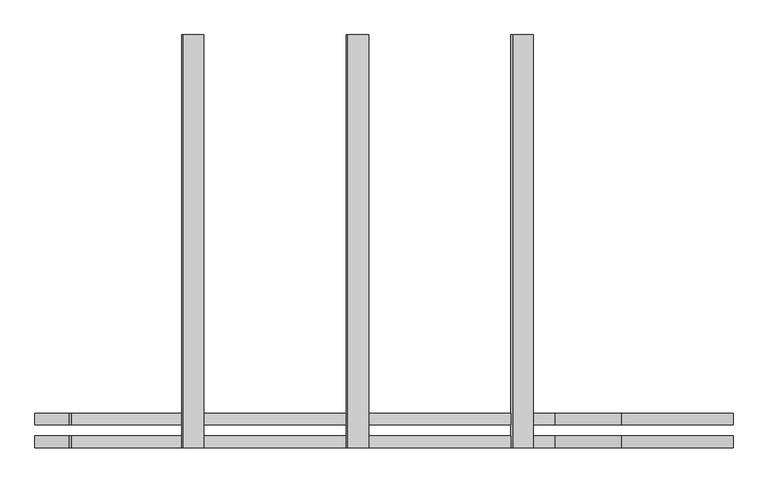
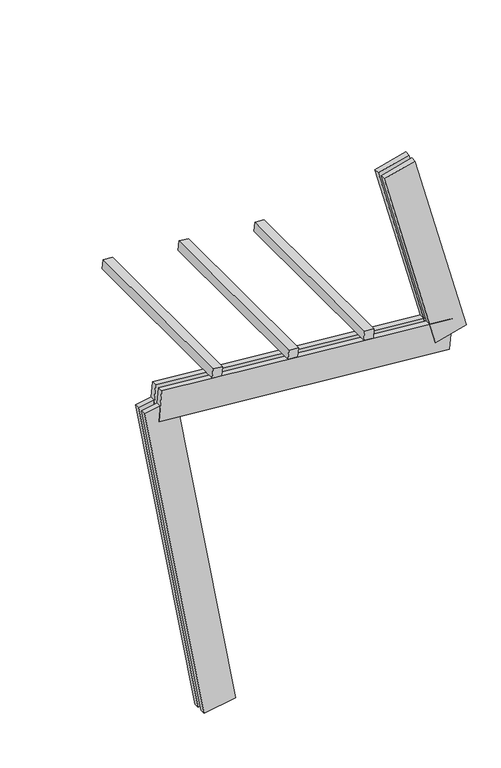
"""IFC4 building model written with IfcOpenShell, lengths in millimetres: proxy geometry."""

from ifc_helpers import new_model, si_unit, frame, origin, place, context, project, spatial, polyline, outline, extrude, source, transform, mapped, element, save


def generic_models_18e37711(model_context):
    return source(origin(), model_context, "Body", "SweptSolid", [
        extrude(outline(polyline([(1500.0, 0.0), (0.0, 0.0), (0.0, 74.9999999), (1500.0, 74.9999999), (1500.0, 0.0)])), frame((15.2368697, -62.5, 2742.1062926), z_axis=(0.0871557427476582, 0.0, 0.9961946980917457), x_axis=(0.0, 1.0, 0.0)), (0.0, 0.0, 1.0), 75.0),
        extrude(outline(polyline([(1500.0, 0.0), (0.0, 0.0), (0.0, 75.0), (1500.0, 75.0), (1500.0, 0.0)])), frame((612.9536886, -62.5, 2689.8128469), z_axis=(0.0871557427476582, 0.0, 0.9961946980917457), x_axis=(0.0, 1.0, 0.0)), (0.0, 0.0, 1.0), 75.0),
        extrude(outline(polyline([(1500.0, 0.0), (0.0, 0.0), (0.0, 74.9999999), (1500.0, 74.9999999), (1500.0, 0.0)])), frame((1210.6705074, -62.5, 2637.5194013), z_axis=(0.0871557427476582, 0.0, 0.9961946980917457), x_axis=(0.0, 1.0, 0.0)), (0.0, 0.0, 1.0), 75.0),
        extrude(outline(polyline([(125.0, 0.0), (82.5, 0.0), (82.5, 250.0), (125.0, 250.0), (125.0, 0.0)])), frame((1701.6569976, 62.5, 2426.1703442), z_axis=(-0.2588190451025191, 0.0, 0.9659258262890688), x_axis=(0.0, -1.0, 0.0)), (0.0, 0.0, 1.0), 1560.0),
        extrude(outline(polyline([(0.0, 250.0), (42.5, 250.0), (42.5, 0.0), (0.0, 0.0), (0.0, 250.0)])), frame((1701.6569976, 62.5, 2426.1703442), z_axis=(-0.2588190451025191, 0.0, 0.9659258262890688), x_axis=(0.0, -1.0, 0.0)), (0.0, 0.0, 1.0), 1560.0),
        extrude(outline(polyline([(2300.0, 125.0), (2300.0, 82.5), (0.0, 82.5), (0.0, 125.0), (2300.0, 125.0)])), frame((1811.5032581, 62.5, 2333.9983876), z_axis=(0.0871557427476582, 0.0, 0.9961946980917457), x_axis=(-0.9961946980917457, 0.0, 0.0871557427476582)), (0.0, 0.0, 1.0), 250.0),
        extrude(outline(polyline([(0.0, 0.0), (0.0, 42.5), (2300.0, 42.5), (2300.0, 0.0), (0.0, 0.0)])), frame((1811.5032581, 62.5, 2333.9983876), z_axis=(0.0871557427476582, 0.0, 0.9961946980917457), x_axis=(-0.9961946980917457, 0.0, 0.0871557427476582)), (0.0, 0.0, 1.0), 250.0),
        extrude(outline(polyline([(-125.0, 249.9999999), (-82.5, 249.9999999), (-82.5, 0.0), (-125.0, 0.0), (-125.0, 249.9999999)])), frame((123.1009691, 62.5, 21.7060222), z_axis=(-0.17364817766693158, 0.0, 0.9848077530122079), x_axis=(0.0, 1.0, 0.0)), (0.0, 0.0, 1.0), 2700.0),
        extrude(outline(polyline([(0.0, 0.0), (-42.5, 0.0), (-42.5, 249.9999999), (0.0, 249.9999999), (0.0, 0.0)])), frame((123.1009691, 62.5, 21.7060222), z_axis=(-0.17364817766693158, 0.0, 0.9848077530122079), x_axis=(0.0, 1.0, 0.0)), (0.0, 0.0, 1.0), 2700.0),
    ])


if __name__ == "__main__":
    model = new_model("IFC4")
    model_context = context("Model", 3, world=origin())
    ifc_project = project(units=[si_unit("LENGTHUNIT", "METRE", prefix="MILLI")], contexts=[model_context])
    site = spatial("IfcSite", under=ifc_project)
    building = spatial("IfcBuilding", under=site)
    placement = place(None, origin())
    generic_models_shape = generic_models_18e37711(model_context)
    element("IfcBuildingElementProxy", 1, Name="Generic Models", at=placement, inside=building, context=model_context, shape_type="MappedRepresentation", body=[
        mapped(generic_models_shape, transform((0.0, 0.0, 0.0), x_axis=(1.0, 0.0, 0.0), y_axis=(0.0, 1.0, 0.0), z_axis=(0.0, 0.0, 1.0))),
    ])
    save(model, "model.ifc")
